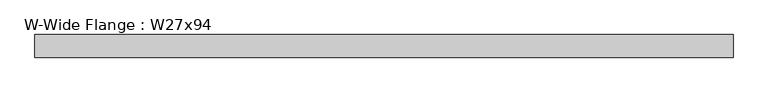
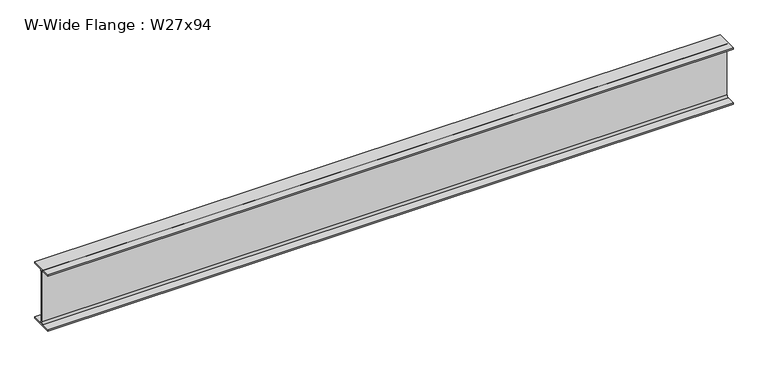
"""IFC4 building model written with IfcOpenShell, lengths in millimetres: beam geometry, W-Wide Flange : W27x94."""

from ifc_helpers import new_model, si_unit, point, frame, frame_2d, origin, place, context, project, spatial, polyline, circle_curve, trimmed, segment, composite_curve, outline, extrude, source, transform, mapped, element, save


def w_wide_flange_w27x94_2b899359(model_context):
    return source(origin(), model_context, "Body", "SweptSolid", [
        extrude(outline(composite_curve([segment(polyline([(127.0, -322.707), (127.0, -341.63), (-127.0, -341.63), (-127.0, -322.707), (-28.575, -322.707)]), True, "CONTINUOUS"), segment(trimmed(circle_curve(frame_2d((-28.575, -300.355)), 22.352), [point((-28.575, -322.707))], [point((-6.223, -300.355))], True, "CARTESIAN"), True, "CONTINUOUS"), segment(polyline([(-6.223, -300.355), (-6.223, 300.355)]), True, "CONTINUOUS"), segment(trimmed(circle_curve(frame_2d((-28.575, 300.355)), 22.352), [point((-6.223, 300.355))], [point((-28.575, 322.707))], True, "CARTESIAN"), True, "CONTINUOUS"), segment(polyline([(-28.575, 322.707), (-127.0, 322.707), (-127.0, 341.63), (127.0, 341.63), (127.0, 322.707), (28.575, 322.707)]), True, "CONTINUOUS"), segment(trimmed(circle_curve(frame_2d((28.575, 300.355)), 22.352), [point((28.575, 322.707))], [point((6.223, 300.355))], True, "CARTESIAN"), True, "CONTINUOUS"), segment(polyline([(6.223, 300.355), (6.223, -300.355)]), True, "CONTINUOUS"), segment(trimmed(circle_curve(frame_2d((28.575, -300.355)), 22.352), [point((6.223, -300.355))], [point((28.575, -322.707))], True, "CARTESIAN"), True, "CONTINUOUS"), segment(polyline([(28.575, -322.707), (127.0, -322.707)]), True, "CONTINUOUS")], self_intersect=False)), frame((-3921.76, 0.0, 0.0), z_axis=(1.0, 0.0, 0.0), x_axis=(0.0, 1.0, 0.0)), (0.0, 0.0, 1.0), 7843.52),
    ])


if __name__ == "__main__":
    model = new_model("IFC4")
    model_context = context("Model", 3, world=origin())
    ifc_project = project(units=[si_unit("LENGTHUNIT", "METRE", prefix="MILLI")], contexts=[model_context])
    site = spatial("IfcSite", under=ifc_project)
    building = spatial("IfcBuilding", under=site)
    placement = place(None, origin())
    w_wide_flange_w27x94_shape = w_wide_flange_w27x94_2b899359(model_context)
    element("IfcBeam", 1, ObjectType="W-Wide Flange : W27x94", at=placement, inside=building, context=model_context, shape_type="MappedRepresentation", body=[
        mapped(w_wide_flange_w27x94_shape, transform((0.0, 0.0, 0.0), x_axis=(1.0, 0.0, 0.0), y_axis=(0.0, 1.0, 0.0), z_axis=(0.0, 0.0, 1.0))),
    ])
    save(model, "model.ifc")
